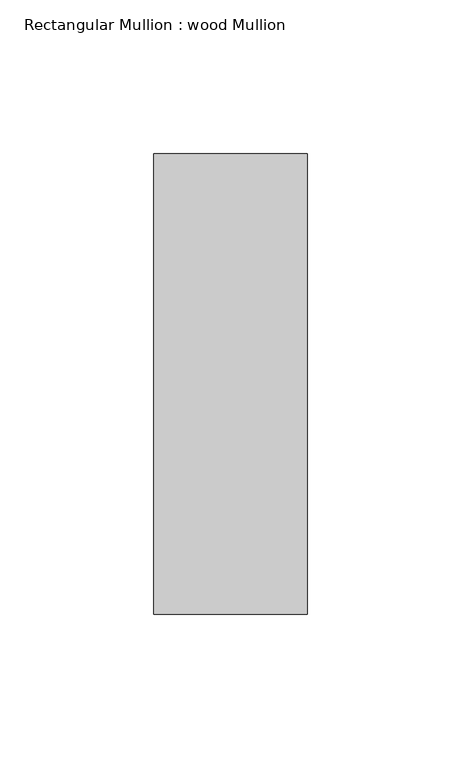
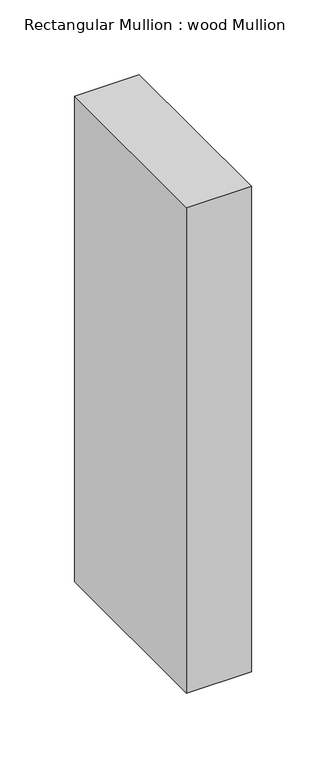
"""IFC4 building model written with IfcOpenShell, lengths in millimetres: member geometry, Rectangular Mullion : wood Mullion."""

from ifc_helpers import new_model, si_unit, frame, origin, place, context, project, spatial, polyline, outline, extrude, source, transform, mapped, element, save


def rectangular_mullion_wood_mullion_61e0e5aa(model_context):
    return source(origin(), model_context, "Body", "SweptSolid", [
        extrude(outline(polyline([(25.0, 75.0), (25.0, -75.0), (-25.0, -75.0), (-25.0, 75.0), (25.0, 75.0)])), frame((0.0, 0.0, -396.6666667), z_axis=(0.0, 0.0, 1.0), x_axis=(1.0, 0.0, 0.0)), (0.0, 0.0, 1.0), 396.6666667),
    ])


if __name__ == "__main__":
    model = new_model("IFC4")
    model_context = context("Model", 3, world=origin())
    ifc_project = project(units=[si_unit("LENGTHUNIT", "METRE", prefix="MILLI")], contexts=[model_context])
    site = spatial("IfcSite", under=ifc_project)
    building = spatial("IfcBuilding", under=site)
    placement = place(None, origin())
    rectangular_mullion_wood_mullion_shape = rectangular_mullion_wood_mullion_61e0e5aa(model_context)
    element("IfcMember", 1, ObjectType="Rectangular Mullion : wood Mullion", at=placement, inside=building, context=model_context, shape_type="MappedRepresentation", body=[
        mapped(rectangular_mullion_wood_mullion_shape, transform((0.0, 0.0, 0.0), x_axis=(1.0, 0.0, 0.0), y_axis=(0.0, 1.0, 0.0), z_axis=(0.0, 0.0, 1.0))),
    ])
    save(model, "model.ifc")
